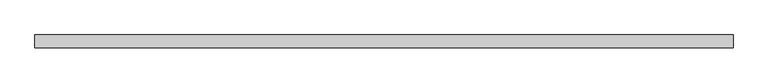
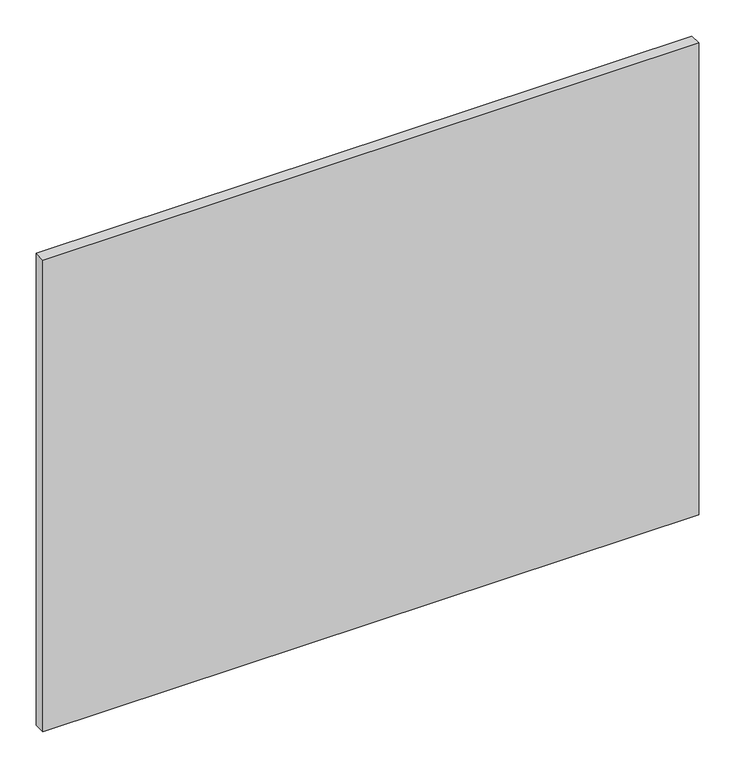
"""IFC4 building model written with IfcOpenShell, lengths in millimetres: proxy geometry."""

from ifc_helpers import new_model, si_unit, frame, origin, place, context, project, spatial, polyline, outline, extrude, source, transform, mapped, element, save


def specialty_equipment_73abb41d(model_context):
    return source(origin(), model_context, "Body", "SweptSolid", [
        extrude(outline(polyline([(525.1749999, 0.0), (525.1749999, -19.05), (-525.1749999, -19.05), (-525.1749999, 0.0), (525.1749999, 0.0)])), frame((0.0, 0.0, 3.175), z_axis=(0.0, 0.0, 1.0), x_axis=(1.0, 0.0, 0.0)), (0.0, 0.0, 1.0), 799.2618001),
    ])


if __name__ == "__main__":
    model = new_model("IFC4")
    model_context = context("Model", 3, world=origin())
    ifc_project = project(units=[si_unit("LENGTHUNIT", "METRE", prefix="MILLI")], contexts=[model_context])
    site = spatial("IfcSite", under=ifc_project)
    building = spatial("IfcBuilding", under=site)
    placement = place(None, origin())
    specialty_equipment_shape = specialty_equipment_73abb41d(model_context)
    element("IfcBuildingElementProxy", 1, Name="Specialty Equipment", at=placement, inside=building, context=model_context, shape_type="MappedRepresentation", body=[
        mapped(specialty_equipment_shape, transform((0.0, 0.0, 0.0), x_axis=(1.0, 0.0, 0.0), y_axis=(0.0, 1.0, 0.0), z_axis=(0.0, 0.0, 1.0))),
    ])
    save(model, "model.ifc")
